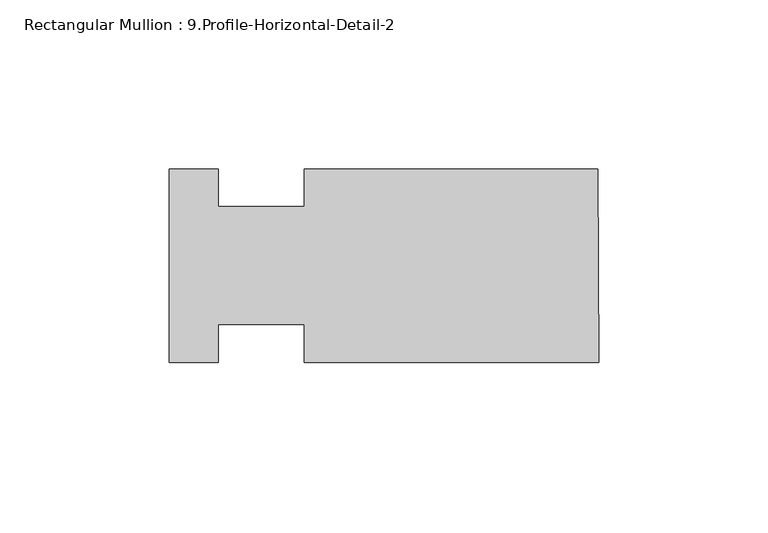
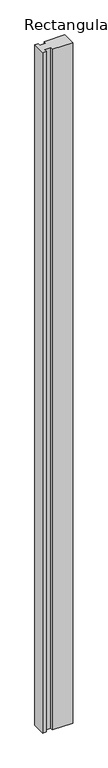
"""IFC4 building model written with IfcOpenShell, lengths in millimetres: member geometry, Rectangular Mullion : 9.Profile-Horizontal-Detail-2."""

from ifc_helpers import new_model, si_unit, frame, origin, place, context, project, spatial, polyline, outline, extrude, source, transform, mapped, element, save


def rectangular_mullion_9_profile_horizontal_detail_2_085ecefd(model_context):
    return source(origin(), model_context, "Body", "SweptSolid", [
        extrude(outline(polyline([(-112.496475, 28.575), (-112.496475, 17.4625), (-87.096475, 17.4625), (-87.096475, 28.575), (-0.254, 28.575), (0.0, -28.575), (-87.0219544, -28.575), (-87.0219544, -17.4625), (-112.496475, -17.4625), (-112.496475, -28.575), (-127.0, -28.575), (-127.0, 28.575), (-112.496475, 28.575)])), frame((0.0, 0.0, -3048.0), z_axis=(0.0, 0.0, 1.0), x_axis=(1.0, 0.0, 0.0)), (0.0, 0.0, 1.0), 3048.0),
    ])


if __name__ == "__main__":
    model = new_model("IFC4")
    model_context = context("Model", 3, world=origin())
    ifc_project = project(units=[si_unit("LENGTHUNIT", "METRE", prefix="MILLI")], contexts=[model_context])
    site = spatial("IfcSite", under=ifc_project)
    building = spatial("IfcBuilding", under=site)
    placement = place(None, origin())
    rectangular_mullion_9_profile_horizontal_detail_2_shape = rectangular_mullion_9_profile_horizontal_detail_2_085ecefd(model_context)
    element("IfcMember", 1, ObjectType="Rectangular Mullion : 9.Profile-Horizontal-Detail-2", at=placement, inside=building, context=model_context, shape_type="MappedRepresentation", body=[
        mapped(rectangular_mullion_9_profile_horizontal_detail_2_shape, transform((0.0, 0.0, 0.0), x_axis=(1.0, 0.0, 0.0), y_axis=(0.0, 1.0, 0.0), z_axis=(0.0, 0.0, 1.0))),
    ])
    save(model, "model.ifc")
